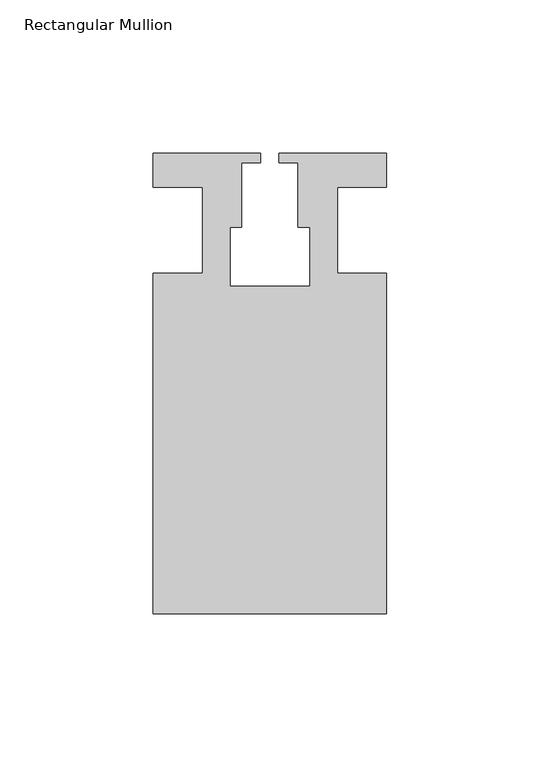
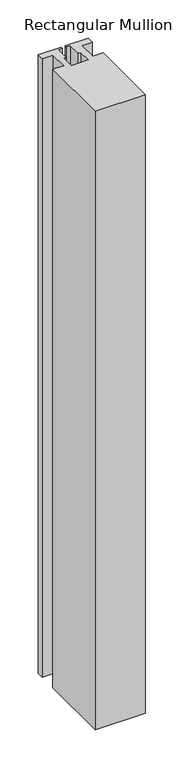
"""IFC4 building model written with IfcOpenShell, lengths in millimetres: member geometry, Rectangular Mullion."""

from ifc_helpers import new_model, si_unit, frame, origin, place, context, project, spatial, polyline, outline, extrude, source, transform, mapped, element, save


def rectangular_mullion_a8566aa6(model_context):
    return source(origin(), model_context, "Body", "SweptSolid", [
        extrude(outline(polyline([(37.9999914, -124.9960123), (-37.9999896, -124.9960123), (-37.9999896, -13.9959029), (-21.9999633, -13.9959029), (-21.9999633, 14.0039877), (-37.9999896, 14.0039877), (-37.9999896, 25.0039877), (-2.9999896, 25.0039877), (-2.9999896, 22.0039877), (-9.1999633, 22.0039877), (-9.1999633, 1.0039877), (-12.9999633, 1.0039877), (-12.9999633, -18.1960075), (12.9999651, -18.1960075), (12.9999651, 1.0039877), (9.1999651, 1.0039877), (9.1999651, 22.0039877), (2.9999651, 22.0039877), (2.9999651, 25.0039877), (37.9999896, 25.0039877), (37.9999896, 14.0039877), (21.9999651, 14.0039877), (21.9999651, -13.9960123), (37.9999914, -13.9960123), (37.9999914, -124.9960123)])), frame((0.0, 0.0, -990.6595328), z_axis=(0.0, 0.0, 1.0), x_axis=(1.0, 0.0, 0.0)), (0.0, 0.0, 1.0), 990.6595328),
    ])


if __name__ == "__main__":
    model = new_model("IFC4")
    model_context = context("Model", 3, world=origin())
    ifc_project = project(units=[si_unit("LENGTHUNIT", "METRE", prefix="MILLI")], contexts=[model_context])
    site = spatial("IfcSite", under=ifc_project)
    building = spatial("IfcBuilding", under=site)
    placement = place(None, origin())
    rectangular_mullion_shape = rectangular_mullion_a8566aa6(model_context)
    element("IfcMember", 1, ObjectType="Rectangular Mullion", at=placement, inside=building, context=model_context, shape_type="MappedRepresentation", body=[
        mapped(rectangular_mullion_shape, transform((0.0, 0.0, 0.0), x_axis=(1.0, 0.0, 0.0), y_axis=(0.0, 1.0, 0.0), z_axis=(0.0, 0.0, 1.0))),
    ])
    save(model, "model.ifc")
